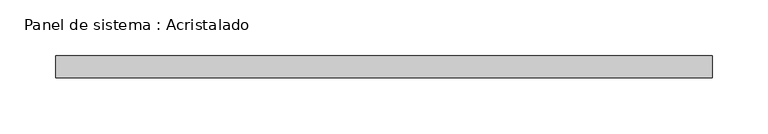
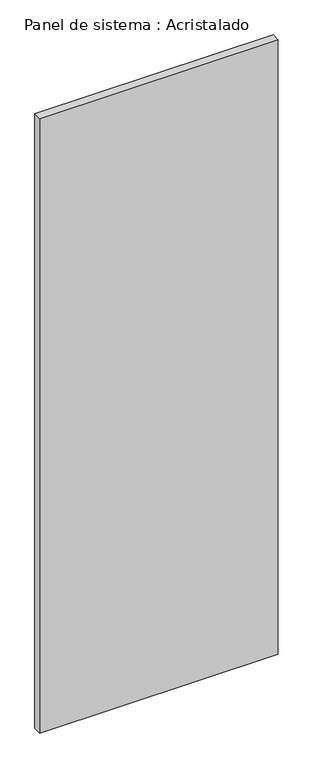
"""IFC4 building model written with IfcOpenShell, lengths in millimetres: plate geometry, Panel de sistema : Acristalado."""

from ifc_helpers import new_model, si_unit, origin, origin_with_axes, place, context, project, spatial, polyline, outline, extrude, source, transform, mapped, element, save


def panel_de_sistema_acristalado_21b38e84(model_context):
    return source(origin(), model_context, "Body", "SweptSolid", [
        extrude(outline(polyline([(295.7814074, -10.0), (-295.7814074, -10.0), (-295.7814074, 10.0), (295.7814074, 10.0), (295.7814074, -10.0)])), origin_with_axes(), (0.0, 0.0, 1.0), 1610.8718726),
    ])


if __name__ == "__main__":
    model = new_model("IFC4")
    model_context = context("Model", 3, world=origin())
    ifc_project = project(units=[si_unit("LENGTHUNIT", "METRE", prefix="MILLI")], contexts=[model_context])
    site = spatial("IfcSite", under=ifc_project)
    building = spatial("IfcBuilding", under=site)
    placement = place(None, origin())
    panel_de_sistema_acristalado_shape = panel_de_sistema_acristalado_21b38e84(model_context)
    element("IfcPlate", 1, ObjectType="Panel de sistema : Acristalado", at=placement, inside=building, context=model_context, shape_type="MappedRepresentation", body=[
        mapped(panel_de_sistema_acristalado_shape, transform((0.0, 0.0, 0.0), x_axis=(1.0, 0.0, 0.0), y_axis=(0.0, 1.0, 0.0), z_axis=(0.0, 0.0, 1.0))),
    ])
    save(model, "model.ifc")
